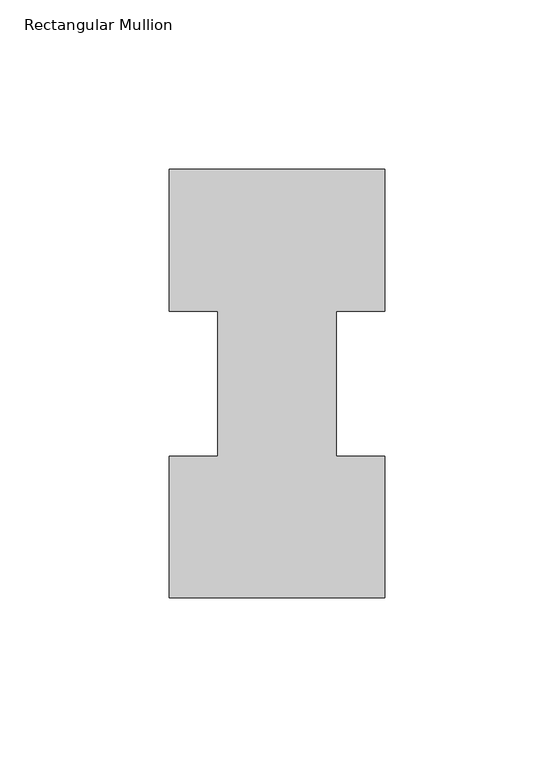
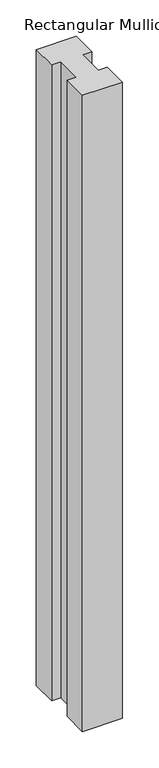
"""IFC4 building model written with IfcOpenShell, lengths in millimetres: member geometry, Rectangular Mullion."""

from ifc_helpers import new_model, si_unit, frame, origin, place, context, project, spatial, polyline, outline, extrude, source, transform, mapped, element, save


def rectangular_mullion_d4a35c96(model_context):
    return source(origin(), model_context, "Body", "SweptSolid", [
        extrude(outline(polyline([(-63.5, -0.0373063), (-63.5, 41.7837937), (-49.2125, 41.7837937), (-49.2125, 84.6335938), (-63.5, 84.6335938), (-63.5, 126.4546937), (0.0, 126.4546937), (0.0, 84.6335938), (-14.2748, 84.6335938), (-14.2748, 41.7837937), (0.0, 41.7837937), (0.0, -0.0373063), (-63.5, -0.0373063)])), frame((0.0, 0.0, -1066.80635), z_axis=(0.0, 0.0, 1.0), x_axis=(1.0, 0.0, 0.0)), (0.0, 0.0, 1.0), 1066.80635),
    ])


if __name__ == "__main__":
    model = new_model("IFC4")
    model_context = context("Model", 3, world=origin())
    ifc_project = project(units=[si_unit("LENGTHUNIT", "METRE", prefix="MILLI")], contexts=[model_context])
    site = spatial("IfcSite", under=ifc_project)
    building = spatial("IfcBuilding", under=site)
    placement = place(None, origin())
    rectangular_mullion_shape = rectangular_mullion_d4a35c96(model_context)
    element("IfcMember", 1, ObjectType="Rectangular Mullion", at=placement, inside=building, context=model_context, shape_type="MappedRepresentation", body=[
        mapped(rectangular_mullion_shape, transform((0.0, 0.0, 0.0), x_axis=(1.0, 0.0, 0.0), y_axis=(0.0, 1.0, 0.0), z_axis=(0.0, 0.0, 1.0))),
    ])
    save(model, "model.ifc")
